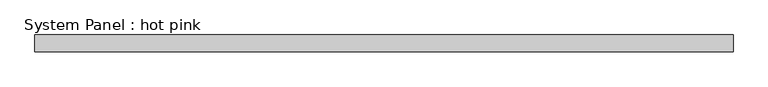
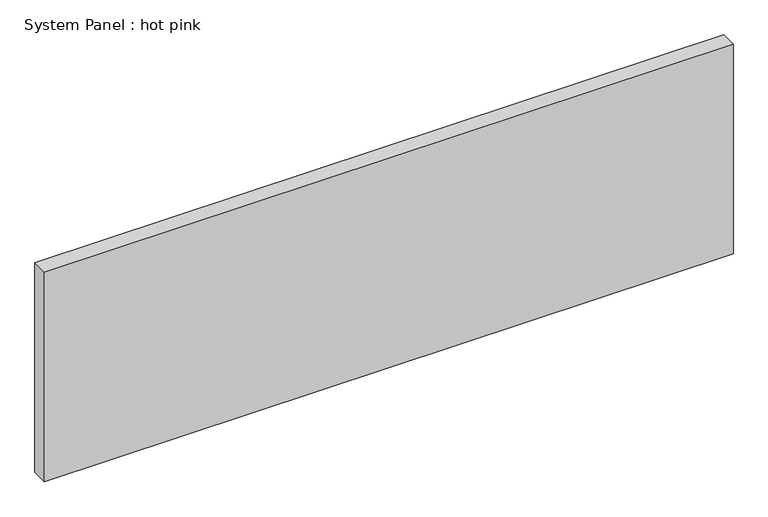
"""IFC4 building model written with IfcOpenShell, lengths in millimetres: plate geometry, System Panel : hot pink."""

from ifc_helpers import new_model, si_unit, origin, origin_with_axes, place, context, project, spatial, polyline, outline, extrude, source, transform, mapped, element, save


def system_panel_hot_pink_c2988ec1(model_context):
    return source(origin(), model_context, "Body", "SweptSolid", [
        extrude(outline(polyline([(1323.975, -44.45), (-1323.975, -44.45), (-1323.975, 19.05), (1323.975, 19.05), (1323.975, -44.45)])), origin_with_axes(), (0.0, 0.0, 1.0), 850.9),
    ])


if __name__ == "__main__":
    model = new_model("IFC4")
    model_context = context("Model", 3, world=origin())
    ifc_project = project(units=[si_unit("LENGTHUNIT", "METRE", prefix="MILLI")], contexts=[model_context])
    site = spatial("IfcSite", under=ifc_project)
    building = spatial("IfcBuilding", under=site)
    placement = place(None, origin())
    system_panel_hot_pink_shape = system_panel_hot_pink_c2988ec1(model_context)
    element("IfcPlate", 1, ObjectType="System Panel : hot pink", at=placement, inside=building, context=model_context, shape_type="MappedRepresentation", body=[
        mapped(system_panel_hot_pink_shape, transform((0.0, 0.0, 0.0), x_axis=(1.0, 0.0, 0.0), y_axis=(0.0, 1.0, 0.0), z_axis=(0.0, 0.0, 1.0))),
    ])
    save(model, "model.ifc")
